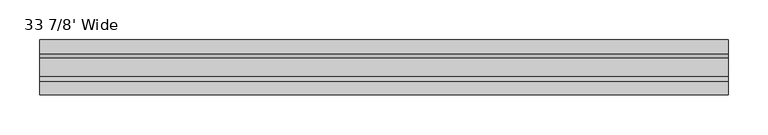
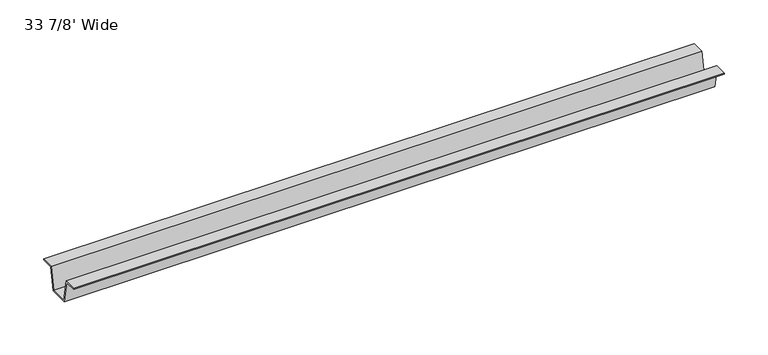
"""IFC4 building model written with IfcOpenShell, lengths in millimetres: furniture geometry, 33 7/8' Wide."""

from ifc_helpers import new_model, si_unit, frame, origin, place, context, project, spatial, polyline, outline, extrude, source, transform, mapped, element, save


def furniture_33_7_8_wide_132631d3(model_context):
    return source(origin(), model_context, "Body", "SweptSolid", [
        extrude(outline(polyline([(137.3862362, 690.626), (121.485835, 690.626), (115.9232385, 660.4000008), (90.5232355, 660.4000008), (84.960639, 690.626), (69.0602378, 690.626), (69.0602378, 692.15), (85.9714992, 692.15), (91.5808402, 661.6700008), (114.8656337, 661.6700008), (120.4749747, 692.15), (137.3862362, 692.15), (137.3862362, 690.626)])), frame((56.104992, 0.0, 0.0), z_axis=(1.0, 0.0, 0.0), x_axis=(0.0, 1.0, 0.0)), (0.0, 0.0, 1.0), 860.425),
    ])


if __name__ == "__main__":
    model = new_model("IFC4")
    model_context = context("Model", 3, world=origin())
    ifc_project = project(units=[si_unit("LENGTHUNIT", "METRE", prefix="MILLI")], contexts=[model_context])
    site = spatial("IfcSite", under=ifc_project)
    building = spatial("IfcBuilding", under=site)
    placement = place(None, origin())
    furniture_33_7_8_wide_shape = furniture_33_7_8_wide_132631d3(model_context)
    element("IfcFurniture", 1, ObjectType="33 7/8' Wide", at=placement, inside=building, context=model_context, shape_type="MappedRepresentation", body=[
        mapped(furniture_33_7_8_wide_shape, transform((0.0, 0.0, 0.0), x_axis=(1.0, 0.0, 0.0), y_axis=(0.0, 1.0, 0.0), z_axis=(0.0, 0.0, 1.0))),
    ])
    save(model, "model.ifc")
